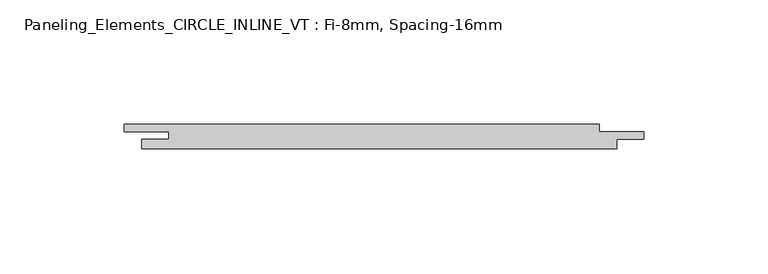
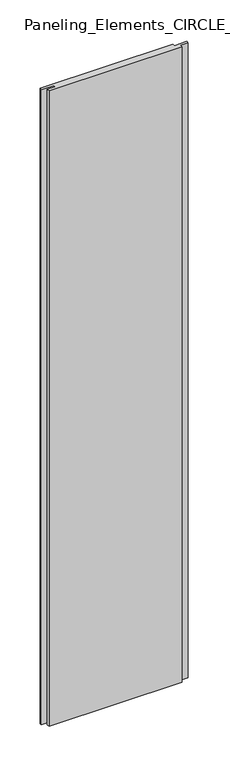
"""IFC4 building model written with IfcOpenShell, lengths in millimetres: plate geometry, Paneling_Elements_CIRCLE_INLINE_VT : Fi-8mm, Spacing-16mm."""

from ifc_helpers import new_model, si_unit, origin, origin_with_axes, place, context, project, spatial, polyline, outline, extrude, source, transform, mapped, element, save


def paneling_elements_circle_inline_vt_fi_8mm_spacing_16mm_ef3a2032(model_context):
    return source(origin(), model_context, "Body", "SweptSolid", [
        extrude(outline(polyline([(88.65, 5.0), (88.65, 2.0), (106.65, 2.0), (106.65, -1.0), (95.65, -1.0), (95.65, -5.0), (-95.65, -5.0), (-95.65, -1.0), (-84.65, -1.0), (-84.65, 2.0), (-102.65, 2.0), (-102.65, 5.0), (88.65, 5.0)])), origin_with_axes(), (0.0, 0.0, 1.0), 964.5),
    ])


if __name__ == "__main__":
    model = new_model("IFC4")
    model_context = context("Model", 3, world=origin())
    ifc_project = project(units=[si_unit("LENGTHUNIT", "METRE", prefix="MILLI")], contexts=[model_context])
    site = spatial("IfcSite", under=ifc_project)
    building = spatial("IfcBuilding", under=site)
    placement = place(None, origin())
    paneling_elements_circle_inline_vt_fi_8mm_spacing_16mm_shape = paneling_elements_circle_inline_vt_fi_8mm_spacing_16mm_ef3a2032(model_context)
    element("IfcPlate", 1, ObjectType="Paneling_Elements_CIRCLE_INLINE_VT : Fi-8mm, Spacing-16mm", at=placement, inside=building, context=model_context, shape_type="MappedRepresentation", body=[
        mapped(paneling_elements_circle_inline_vt_fi_8mm_spacing_16mm_shape, transform((0.0, 0.0, 0.0), x_axis=(1.0, 0.0, 0.0), y_axis=(0.0, 1.0, 0.0), z_axis=(0.0, 0.0, 1.0))),
    ])
    save(model, "model.ifc")
